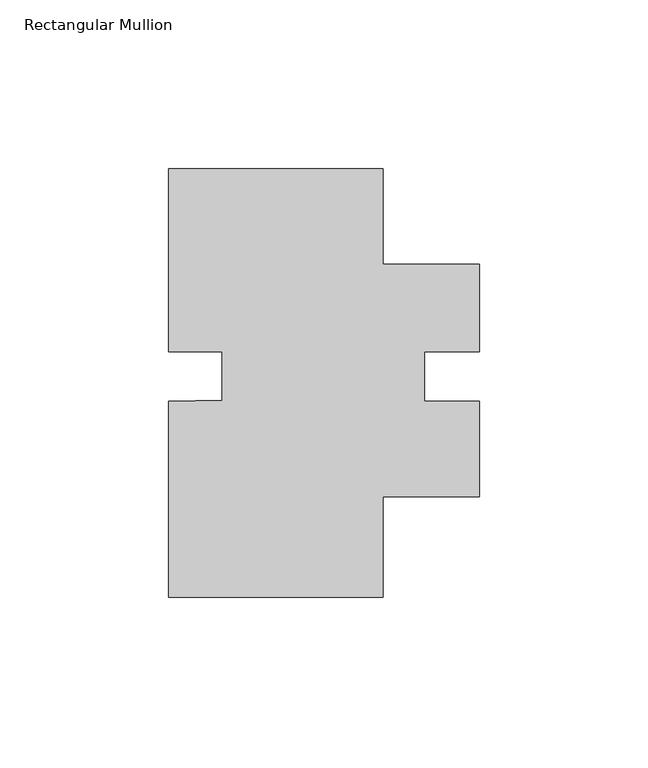
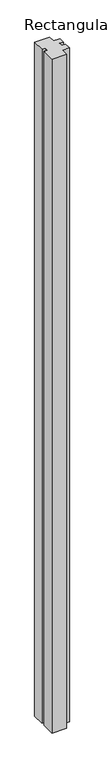
"""IFC4 building model written with IfcOpenShell, lengths in millimetres: member geometry, Rectangular Mullion."""

import ifcopenshell
import ifcopenshell.guid

model = None  # the IFC model being written
_history = None  # IfcOwnerHistory: only IFC2X3 demands one
_inside = {}  # id of a spatial element -> (the spatial element, [elements in it])
_under = {}  # id of a project, library or spatial element -> (it, [spatial elements below it])
_declared = {}  # id of a project -> (the project, [libraries it declares])
_typed = {}  # id of a type object -> (the type object, [elements of that type])
_made_of = {}  # id of a material, layer set ... -> (it, [elements and type objects made of it])


def new_model(schema):
    """Start an empty IFC model of exactly this schema.

    Asked for "IFC4X3", IfcOpenShell would pick the latest addendum, in which some entities
    have other attributes; the version numbers below select the first issue.
    IFC2X3 requires an IfcOwnerHistory on every rooted entity: one is made here for all.
    """
    global model, _history
    if schema == "IFC4X3":
        model = ifcopenshell.file(schema_version=(4, 3, 0, 0))
    else:
        model = ifcopenshell.file(schema=schema)
    _inside.clear()
    _under.clear()
    _declared.clear()
    _typed.clear()
    _made_of.clear()
    _history = None
    if model.schema == "IFC2X3":
        org = make("IfcOrganization", Name="unknown")
        user = make(
            "IfcPersonAndOrganization",
            ThePerson=make("IfcPerson", FamilyName="unknown"),
            TheOrganization=org,
        )
        app = make(
            "IfcApplication",
            ApplicationDeveloper=org,
            Version="unknown",
            ApplicationFullName="unknown",
            ApplicationIdentifier="unknown",
        )
        _history = make(
            "IfcOwnerHistory",
            OwningUser=user,
            OwningApplication=app,
            ChangeAction="ADDED",
            CreationDate=0,
        )
    return model


def make(cls, **values):
    """One entity of the class cls with the attributes given. An attribute that is None is left unset."""
    return model.create_entity(
        cls, **{name: value for name, value in values.items() if value is not None}
    )


def rooted(cls, **values):
    """An entity with a GlobalId (a new one), such as an element, a storey or a relation."""
    return make(cls, GlobalId=ifcopenshell.guid.new(), OwnerHistory=_history, **values)


def si_unit(unit_type, name, prefix=None):
    """IfcSIUnit, for example si_unit("LENGTHUNIT", "METRE", prefix="MILLI")."""
    return make("IfcSIUnit", UnitType=unit_type, Prefix=prefix, Name=name)


def assignment(units):
    """IfcUnitAssignment: the units of a project."""
    return None if units is None else make("IfcUnitAssignment", Units=units)


def point(xyz):
    """IfcCartesianPoint."""
    return None if xyz is None else make("IfcCartesianPoint", Coordinates=xyz)


def direction(xyz):
    """IfcDirection."""
    return None if xyz is None else make("IfcDirection", DirectionRatios=xyz)


def frame(location, z_axis=None, x_axis=None):
    """IfcAxis2Placement3D, a coordinate frame: its origin and axes. An axis left out is left unset."""
    return make(
        "IfcAxis2Placement3D",
        Location=point(location),
        Axis=direction(z_axis),
        RefDirection=direction(x_axis),
    )


def origin():
    """The frame at (0, 0, 0) with its axes left unset."""
    return frame((0.0, 0.0, 0.0))


def place(relative_to, where):
    """IfcLocalPlacement: puts the frame where relative to a parent placement (None: the world)."""
    return make(
        "IfcLocalPlacement", PlacementRelTo=relative_to, RelativePlacement=where
    )


def context(
    kind, dimensions, precision=None, world=None, true_north=None, identifier=None
):
    """IfcGeometricRepresentationContext, for example the 3D "Model" context."""
    return make(
        "IfcGeometricRepresentationContext",
        ContextIdentifier=identifier,
        ContextType=kind,
        CoordinateSpaceDimension=dimensions,
        Precision=precision,
        WorldCoordinateSystem=world,
        TrueNorth=true_north,
    )


def project(units=None, contexts=None):
    """IfcProject with its units and contexts."""
    return rooted(
        "IfcProject",
        Name="project",
        RepresentationContexts=contexts,
        UnitsInContext=assignment(units),
    )


def spatial(cls, under=None, at=None, **own):
    """A site, building, storey or space (cls), placed at a placement, below another one or the project."""
    s = rooted(cls, ObjectPlacement=at, **own)
    if under is not None:
        _under.setdefault(under.id(), (under, []))[1].append(s)
    return s


def polyline(points):
    """IfcPolyline through the points."""
    return make("IfcPolyline", Points=[point(p) for p in points])


def outline(outer, holes=None, kind="AREA"):
    """IfcArbitraryClosedProfileDef: a profile drawn as a closed curve; with holes, ...WithVoids."""
    if holes is None:
        return make("IfcArbitraryClosedProfileDef", ProfileType=kind, OuterCurve=outer)
    return make(
        "IfcArbitraryProfileDefWithVoids",
        ProfileType=kind,
        OuterCurve=outer,
        InnerCurves=holes,
    )


def extrude(swept, where, along, depth):
    """IfcExtrudedAreaSolid: the profile swept, set in the frame where, extruded along a direction by depth."""
    return make(
        "IfcExtrudedAreaSolid",
        SweptArea=swept,
        Position=where,
        ExtrudedDirection=direction(along),
        Depth=depth,
    )


def shape(context_of_items, identifier, shape_type, items):
    """IfcShapeRepresentation: the items that make up one representation, for example the "Body"."""
    return make(
        "IfcShapeRepresentation",
        ContextOfItems=context_of_items,
        RepresentationIdentifier=identifier,
        RepresentationType=shape_type,
        Items=items,
    )


def source(mapping_origin, context_of_items, identifier, shape_type, items):
    """IfcRepresentationMap: a shape defined once, which mapped items show again and again."""
    return make(
        "IfcRepresentationMap",
        MappingOrigin=mapping_origin,
        MappedRepresentation=shape(context_of_items, identifier, shape_type, items),
    )


def transform(
    local_origin,
    x_axis=None,
    y_axis=None,
    z_axis=None,
    scale=None,
    scale2=None,
    scale3=None,
    uniform=True,
):
    """IfcCartesianTransformationOperator3D, or its non-uniform kind. x_axis, y_axis, z_axis: its Axis1, 2, 3."""
    if uniform:
        return make(
            "IfcCartesianTransformationOperator3D",
            Axis1=direction(x_axis),
            Axis2=direction(y_axis),
            LocalOrigin=point(local_origin),
            Scale=scale,
            Axis3=direction(z_axis),
        )
    return make(
        "IfcCartesianTransformationOperator3DnonUniform",
        Axis1=direction(x_axis),
        Axis2=direction(y_axis),
        LocalOrigin=point(local_origin),
        Scale=scale,
        Axis3=direction(z_axis),
        Scale2=scale2,
        Scale3=scale3,
    )


def mapped(mapping_source, mapping_target):
    """IfcMappedItem: shows the shape of a source again, moved by a transform."""
    return make(
        "IfcMappedItem", MappingSource=mapping_source, MappingTarget=mapping_target
    )


def made_of(thing, what):
    """Note that an element or type object is made of a material, layer set ...; save() writes the relation."""
    if what is not None:
        _made_of.setdefault(what.id(), (what, []))[1].append(thing)
    return thing


def element(
    cls,
    number,
    at=None,
    inside=None,
    cuts=None,
    type_object=None,
    material=None,
    context=None,
    identifier="Body",
    shape_type=None,
    held_by="IfcProductDefinitionShape",
    body=None,
    shapes=None,
    **own,
):
    """One element of the class cls, such as IfcWall. Its Tag is "e" and its number.

    at: its placement. inside: the storey or other place that contains it. cuts: it is an
    opening in that element (IfcRelVoidsElement). A single representation is given by context,
    identifier, shape_type and body (its items); several are given by shapes. held_by: the class
    of the entity that holds the representations. save() writes the other relations.
    """
    e = rooted(cls, Tag="e%d" % number, ObjectPlacement=at, **own)
    if body is not None:
        shapes = [shape(context, identifier, shape_type, body)]
    if shapes is not None:
        e.Representation = make(held_by, Representations=shapes)
    if inside is not None:
        _inside.setdefault(inside.id(), (inside, []))[1].append(e)
    if cuts is not None:
        rooted(
            "IfcRelVoidsElement", RelatingBuildingElement=cuts, RelatedOpeningElement=e
        )
    if type_object is not None:
        _typed.setdefault(type_object.id(), (type_object, []))[1].append(e)
    return made_of(e, material)


def aggregate(whole, parts):
    """IfcRelAggregates: a whole, such as a stair, and the parts it consists of."""
    return rooted("IfcRelAggregates", RelatingObject=whole, RelatedObjects=parts)


def save(model, path):
    """Write the relations noted so far, then the file.

    IfcRelAggregates (storeys below a building ...), IfcRelContainedInSpatialStructure (elements
    in a storey), IfcRelDefinesByType, IfcRelAssociatesMaterial and IfcRelDeclares: one each for
    every whole, place, type object, material and project.
    """
    for whole, parts in _under.values():
        aggregate(whole, parts)
    for where, things in _inside.values():
        rooted(
            "IfcRelContainedInSpatialStructure",
            RelatedElements=things,
            RelatingStructure=where,
        )
    for kind, things in _typed.values():
        rooted("IfcRelDefinesByType", RelatedObjects=things, RelatingType=kind)
    for what, things in _made_of.values():
        rooted("IfcRelAssociatesMaterial", RelatedObjects=things, RelatingMaterial=what)
    for by, libraries in _declared.values():
        rooted("IfcRelDeclares", RelatingContext=by, RelatedDefinitions=libraries)
    model.write(path)


def rectangular_mullion_3727998b(model_context):
    return source(origin(), model_context, "Body", "SweptSolid", [
        extrude(outline(polyline([(-28.575, -63.5), (-92.075, -63.5), (-92.075, -5.3277212), (-76.2, -5.133672), (-76.2, 9.2837), (-92.075, 9.2837), (-92.075, 63.5), (-28.575, 63.5), (-28.575, 35.2133601), (0.0, 35.2133601), (0.0, 9.2837), (-16.17345, 9.2837), (-16.17345, -5.3584707), (0.0, -5.3584707), (0.0, -33.6296), (-28.575, -33.6296), (-28.575, -63.5)])), frame((0.0, 0.0, -3048.0), z_axis=(0.0, 0.0, 1.0), x_axis=(1.0, 0.0, 0.0)), (0.0, 0.0, 1.0), 3048.0),
    ])


if __name__ == "__main__":
    model = new_model("IFC4")
    model_context = context("Model", 3, world=origin())
    ifc_project = project(units=[si_unit("LENGTHUNIT", "METRE", prefix="MILLI")], contexts=[model_context])
    site = spatial("IfcSite", under=ifc_project)
    building = spatial("IfcBuilding", under=site)
    placement = place(None, origin())
    rectangular_mullion_shape = rectangular_mullion_3727998b(model_context)
    element("IfcMember", 1, ObjectType="Rectangular Mullion", at=placement, inside=building, context=model_context, shape_type="MappedRepresentation", body=[
        mapped(rectangular_mullion_shape, transform((0.0, 0.0, 0.0), x_axis=(1.0, 0.0, 0.0), y_axis=(0.0, 1.0, 0.0), z_axis=(0.0, 0.0, 1.0))),
    ])
    save(model, "model.ifc")
